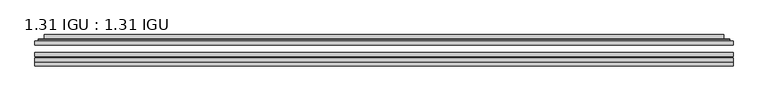
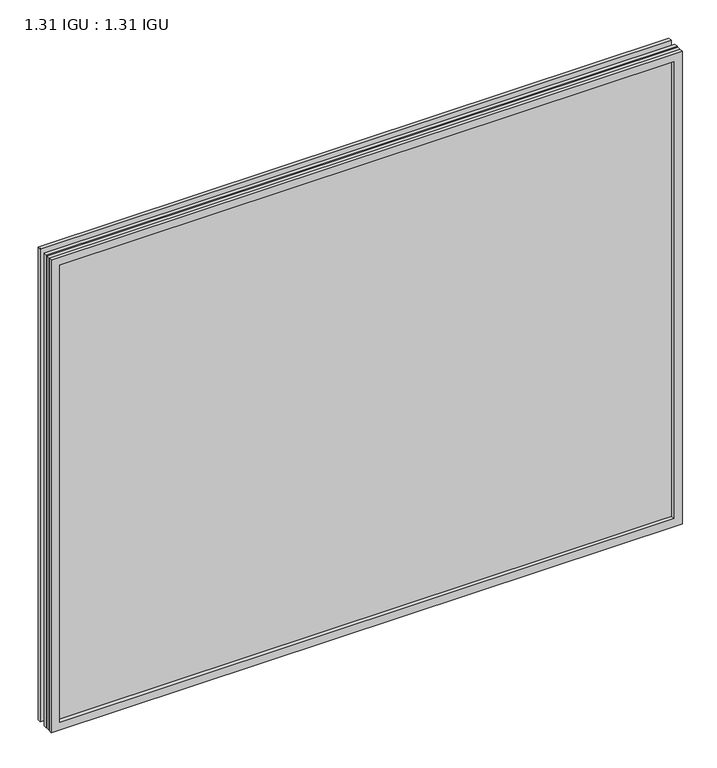
"""IFC4 building model written with IfcOpenShell, lengths in millimetres: plate geometry, 1.31 IGU : 1.31 IGU."""

from ifc_helpers import new_model, si_unit, frame, origin, place, context, project, spatial, polyline, ellipse_curve, outline, extrude, faceted_brep, source, transform, mapped, element, save
from ifc_brep_helpers import plane_surface, cylinder_surface, advanced_brep


def plate_1_31_igu_1_31_igu_2bfd94eb(model_context):
    return source(origin(), model_context, "Body", "SolidModel", [
        extrude(outline(polyline([(549.289175, -63.59525), (549.289175, -69.94525), (-549.275, -69.94525), (-549.275, -63.59525), (549.289175, -63.59525)])), frame((0.0, 0.0, -14.2875), z_axis=(0.0, 0.0, 1.0), x_axis=(1.0, 0.0, 0.0)), (0.0, 0.0, 1.0), 869.9537979),
        extrude(outline(polyline([(-549.275, -78.58125), (-549.275, -72.230745), (549.289175, -72.230745), (549.289175, -78.58125), (-549.275, -78.58125)])), frame((0.0, 0.0, -14.2875), z_axis=(0.0, 0.0, 1.0), x_axis=(1.0, 0.0, 0.0)), (0.0, 0.0, 1.0), 869.9537979),
        extrude(outline(polyline([(549.289175, -45.25645), (549.289175, -51.60645), (-549.275, -51.60645), (-549.275, -45.25645), (549.289175, -45.25645)])), frame((0.0, 0.0, -14.2875), z_axis=(0.0, 0.0, 1.0), x_axis=(1.0, 0.0, 0.0)), (0.0, 0.0, 1.0), 869.9537979),
        faceted_brep([(-549.2877, -84.93125, 855.6752), (-549.2877, -78.58125, 855.6752), (-549.2877, -78.58125, -14.3002), (-549.2877, -84.93125, -14.3002), (549.2877, -78.58125, -14.3002), (549.2877, -84.93125, -14.3002), (549.2877, -78.58125, 855.6752), (549.2877, -84.93125, 855.6752), (-534.0897559, -78.58125, 0.8977441), (534.0897559, -78.58125, 0.8977441), (534.0897559, -78.58125, 840.4772559), (-534.0897559, -78.58125, 840.4772559), (-534.9821902, -84.93125, 841.3696902), (534.9821902, -84.93125, 841.3696902), (534.9821902, -84.93125, 0.0053098), (-534.9821902, -84.93125, 0.0053098)], [[[0, 1, 2, 3]], [[3, 2, 4, 5]], [[5, 4, 6, 7]], [[1, 6, 4, 2], [8, 9, 10, 11]], [[7, 6, 1, 0]], [[3, 5, 7, 0], [12, 13, 14, 15]], [[11, 12, 15, 8]], [[8, 15, 14, 9]], [[9, 14, 13, 10]], [[10, 13, 12, 11]]]),
        advanced_brep(
        [(-542.033719, -45.25645, 848.4212191), (-544.3879244, -43.2667833, 850.7754244), (-544.3879244, -43.2667833, -9.4004244), (-542.033719, -45.25645, -7.046219), (-532.9593939, -41.416413, 839.3468939), (-528.0245621, -45.25645, 834.4120621), (-528.0245621, -45.25645, 6.9629379), (-532.9593939, -41.416413, 2.0281061), (-533.9914217, -36.0191819, 840.3789217), (-533.9914217, -36.0191819, 0.9960783), (-534.9820784, -35.6202069, 841.3695784), (-534.9820784, -35.6202069, 0.0054216), (-534.9820784, -42.08145, 841.3695784), (-534.9820784, -42.08145, 0.0054216), (-543.3861349, -42.08145, 849.7736349), (-543.3861349, -42.08145, -8.3986349), (544.3879244, -43.2667833, -9.4004244), (542.033719, -45.25645, -7.046219), (528.0245621, -45.25645, 6.9629379), (532.9593939, -41.416413, 2.0281061), (533.9914217, -36.0191819, 0.9960783), (534.9820784, -35.6202069, 0.0054216), (534.9820784, -42.08145, 0.0054216), (543.3861349, -42.08145, -8.3986349), (544.3879244, -43.2667833, 850.7754244), (542.033719, -45.25645, 848.4212191), (528.0245621, -45.25645, 834.4120621), (532.9593939, -41.416413, 839.3468939), (533.9914217, -36.0191819, 840.3789217), (534.9820784, -35.6202069, 841.3695784), (534.9820784, -42.08145, 841.3695784), (543.3861349, -42.08145, 849.7736349)],
        [
            (0, 1, ellipse_curve(frame((-542.033719, -42.86885, 848.4212191), z_axis=(-0.7071067811865475, 0.0, -0.7071067811865475), x_axis=(-0.7071067811865474, 0.0, 0.7071067811865476)), 3.3765763, 2.3876)),
            (1, 2),
            (2, 3, ellipse_curve(frame((-542.033719, -42.86885, -7.046219), z_axis=(-0.7071067811865475, 0.0, 0.7071067811865475), x_axis=(0.7071067811865474, 0.0, 0.7071067811865476)), 3.3765763, 2.3876)),
            (3, 0),
            (4, 5),
            (5, 6),
            (6, 7),
            (7, 4),
            (8, 4),
            (7, 9),
            (9, 8),
            (10, 8, ellipse_curve(frame((-534.6151219, -36.1384423, 841.0026219), z_axis=(-0.7071067811865475, 0.0, -0.7071067811865475), x_axis=(-0.7071067811865474, 0.0, 0.7071067811865476)), 0.8980256, 0.635)),
            (9, 11, ellipse_curve(frame((-534.6151219, -36.1384423, 0.3723781), z_axis=(-0.7071067811865475, 0.0, 0.7071067811865475), x_axis=(0.7071067811865474, 0.0, 0.7071067811865476)), 0.8980256, 0.635)),
            (11, 10),
            (12, 10),
            (11, 13),
            (13, 12),
            (1, 14, ellipse_curve(frame((-543.3861349, -43.09745, 849.7736349), z_axis=(-0.7071067811865475, 0.0, -0.7071067811865475), x_axis=(-0.7071067811865474, 0.0, 0.7071067811865476)), 1.436841, 1.016)),
            (14, 15),
            (15, 2, ellipse_curve(frame((-543.3861349, -43.09745, -8.3986349), z_axis=(-0.7071067811865475, 0.0, 0.7071067811865475), x_axis=(0.7071067811865474, 0.0, 0.7071067811865476)), 1.436841, 1.016)),
            (2, 16),
            (16, 17, ellipse_curve(frame((542.033719, -42.86885, -7.046219), z_axis=(-0.7071067811865475, 0.0, -0.7071067811865475), x_axis=(-0.7071067811865476, 0.0, 0.7071067811865474)), 3.3765763, 2.3876)),
            (17, 3),
            (6, 18),
            (18, 19),
            (19, 7),
            (19, 20),
            (20, 9),
            (20, 21, ellipse_curve(frame((534.6151219, -36.1384423, 0.3723781), z_axis=(-0.7071067811865475, 0.0, -0.7071067811865475), x_axis=(-0.7071067811865476, 0.0, 0.7071067811865474)), 0.8980256, 0.635)),
            (21, 11),
            (21, 22),
            (22, 13),
            (15, 23),
            (23, 16, ellipse_curve(frame((543.3861349, -43.09745, -8.3986349), z_axis=(-0.7071067811865475, 0.0, -0.7071067811865475), x_axis=(-0.7071067811865476, 0.0, 0.7071067811865474)), 1.436841, 1.016)),
            (16, 24),
            (24, 25, ellipse_curve(frame((542.033719, -42.86885, 848.4212191), z_axis=(0.7071067811865475, 0.0, -0.7071067811865475), x_axis=(-0.7071067811865474, 0.0, -0.7071067811865476)), 3.3765763, 2.3876)),
            (25, 17),
            (18, 26),
            (26, 27),
            (27, 19),
            (27, 28),
            (28, 20),
            (28, 29, ellipse_curve(frame((534.6151219, -36.1384423, 841.0026219), z_axis=(0.7071067811865475, 0.0, -0.7071067811865475), x_axis=(-0.7071067811865474, 0.0, -0.7071067811865476)), 0.8980256, 0.635)),
            (29, 21),
            (29, 30),
            (30, 22),
            (23, 31),
            (31, 24, ellipse_curve(frame((543.3861349, -43.09745, 849.7736349), z_axis=(0.7071067811865475, 0.0, -0.7071067811865475), x_axis=(-0.7071067811865474, 0.0, -0.7071067811865476)), 1.436841, 1.016)),
            (24, 1),
            (0, 25),
            (5, 26),
            (4, 27),
            (8, 28),
            (10, 29),
            (12, 30),
            (14, 31),
        ],
        [
            cylinder_surface(frame((-542.033719, -42.86885, 873.125), z_axis=(0.0, 0.0, 1.0), x_axis=(-1.0, 0.0, 0.0)), 2.3876),
            plane_surface(frame((-528.0245621, -45.25645, 834.4120621), z_axis=(0.6141233906514794, 0.7892100234124821, 0.0), x_axis=(0.0, 0.0, -1.0))),
            plane_surface(frame((-532.9593939, -41.416413, 839.3468939), z_axis=(0.9822050625507729, 0.18781164793386076, 0.0), x_axis=(0.0, 0.0, -1.0))),
            cylinder_surface(frame((-534.6151219, -36.1384423, 873.125), z_axis=(0.0, 0.0, 1.0), x_axis=(-1.0, 0.0, 0.0)), 0.635),
            plane_surface(frame((-534.9820784, -35.6202069, 841.3695784), z_axis=(-1.0, 0.0, 0.0), x_axis=(0.0, 0.0, -1.0))),
            cylinder_surface(frame((-543.3861349, -43.09745, 873.125), z_axis=(0.0, 0.0, 1.0), x_axis=(-1.0, 0.0, 0.0)), 1.016),
            cylinder_surface(frame((-566.7375, -42.86885, -7.046219), z_axis=(-1.0, 0.0, 0.0), x_axis=(0.0, 0.0, -1.0)), 2.3876),
            plane_surface(frame((-528.0245621, -45.25645, 6.9629379), z_axis=(0.0, 0.7892100234124841, 0.6141233906514768), x_axis=(1.0, 0.0, 0.0))),
            plane_surface(frame((-532.9593939, -41.416413, 2.0281061), z_axis=(0.0, 0.18781164793386393, 0.9822050625507723), x_axis=(1.0, 0.0, 0.0))),
            cylinder_surface(frame((-566.7375, -36.1384423, 0.3723781), z_axis=(-1.0, 0.0, 0.0), x_axis=(0.0, 0.0, -1.0)), 0.635),
            plane_surface(frame((-534.9820784, -35.6202069, 0.0054216), z_axis=(0.0, 0.0, -1.0), x_axis=(1.0, 0.0, 0.0))),
            cylinder_surface(frame((-566.7375, -43.09745, -8.3986349), z_axis=(-1.0, 0.0, 0.0), x_axis=(0.0, 0.0, -1.0)), 1.016),
            cylinder_surface(frame((542.033719, -42.86885, -31.75), z_axis=(0.0, 0.0, -1.0), x_axis=(1.0, 0.0, 0.0)), 2.3876),
            plane_surface(frame((528.0245621, -45.25645, 6.9629379), z_axis=(-0.6141233906514743, 0.7892100234124861, 0.0), x_axis=(0.0, 0.0, 1.0))),
            plane_surface(frame((532.9593939, -41.416413, 2.0281061), z_axis=(-0.9822050625507718, 0.1878116479338671, 0.0), x_axis=(0.0, 0.0, 1.0))),
            cylinder_surface(frame((534.6151219, -36.1384423, -31.75), z_axis=(0.0, 0.0, -1.0), x_axis=(1.0, 0.0, 0.0)), 0.635),
            plane_surface(frame((534.9820784, -35.6202069, 0.0054216), z_axis=(1.0, 0.0, 0.0), x_axis=(0.0, 0.0, 1.0))),
            cylinder_surface(frame((543.3861349, -43.09745, -31.75), z_axis=(0.0, 0.0, -1.0), x_axis=(1.0, 0.0, 0.0)), 1.016),
            cylinder_surface(frame((566.7375, -42.86885, 848.4212191), z_axis=(1.0, 0.0, 0.0), x_axis=(0.0, 0.0, 1.0)), 2.3876),
            plane_surface(frame((542.033719, -45.25645, 848.4212191), z_axis=(0.0, -1.0, 0.0), x_axis=(-1.0, 0.0, 0.0))),
            plane_surface(frame((528.0245621, -45.25645, 834.4120621), z_axis=(0.0, 0.7892100234124841, -0.6141233906514768), x_axis=(-1.0, 0.0, 0.0))),
            plane_surface(frame((532.9593939, -41.416413, 839.3468939), z_axis=(0.0, 0.18781164793386393, -0.9822050625507723), x_axis=(-1.0, 0.0, 0.0))),
            cylinder_surface(frame((566.7375, -36.1384423, 841.0026219), z_axis=(1.0, 0.0, 0.0), x_axis=(0.0, 0.0, 1.0)), 0.635),
            plane_surface(frame((534.9820784, -35.6202069, 841.3695784), z_axis=(0.0, 0.0, 1.0), x_axis=(-1.0, 0.0, 0.0))),
            plane_surface(frame((534.9820784, -42.08145, 841.3695784), z_axis=(0.0, 1.0, 0.0), x_axis=(-1.0, 0.0, 0.0))),
            cylinder_surface(frame((566.7375, -43.09745, 849.7736349), z_axis=(1.0, 0.0, 0.0), x_axis=(0.0, 0.0, 1.0)), 1.016),
        ],
        [
            (0, [[1, 2, 3, 4]]),
            (1, [[5, 6, 7, 8]]),
            (2, [[9, -8, 10, 11]]),
            (3, [[12, -11, 13, 14]]),
            (4, [[15, -14, 16, 17]]),
            (5, [[18, 19, 20, -2]]),
            (6, [[-3, 21, 22, 23]]),
            (7, [[-7, 24, 25, 26]]),
            (8, [[-10, -26, 27, 28]]),
            (9, [[-13, -28, 29, 30]]),
            (10, [[-16, -30, 31, 32]]),
            (11, [[-20, 33, 34, -21]]),
            (12, [[-22, 35, 36, 37]]),
            (13, [[-25, 38, 39, 40]]),
            (14, [[-27, -40, 41, 42]]),
            (15, [[-29, -42, 43, 44]]),
            (16, [[-31, -44, 45, 46]]),
            (17, [[-34, 47, 48, -35]]),
            (18, [[-36, 49, -1, 50]]),
            (19, [[-23, -37, -50, -4], [51, -38, -24, -6]]),
            (20, [[-39, -51, -5, 52]]),
            (21, [[-41, -52, -9, 53]]),
            (22, [[-43, -53, -12, 54]]),
            (23, [[-45, -54, -15, 55]]),
            (24, [[56, -47, -33, -19], [-32, -46, -55, -17]]),
            (25, [[-48, -56, -18, -49]]),
        ],
    ),
    ])


if __name__ == "__main__":
    model = new_model("IFC4")
    model_context = context("Model", 3, world=origin())
    ifc_project = project(units=[si_unit("LENGTHUNIT", "METRE", prefix="MILLI")], contexts=[model_context])
    site = spatial("IfcSite", under=ifc_project)
    building = spatial("IfcBuilding", under=site)
    placement = place(None, origin())
    plate_1_31_igu_1_31_igu_shape = plate_1_31_igu_1_31_igu_2bfd94eb(model_context)
    element("IfcPlate", 1, ObjectType="1.31 IGU : 1.31 IGU", at=placement, inside=building, context=model_context, shape_type="MappedRepresentation", body=[
        mapped(plate_1_31_igu_1_31_igu_shape, transform((0.0, 0.0, 0.0), x_axis=(1.0, 0.0, 0.0), y_axis=(0.0, 1.0, 0.0), z_axis=(0.0, 0.0, 1.0))),
    ])
    save(model, "model.ifc")
